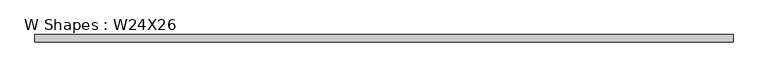
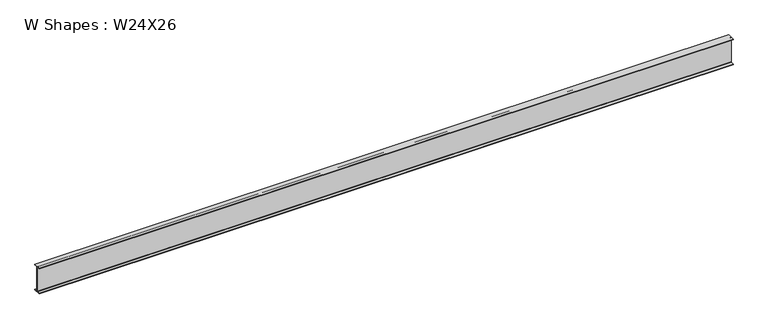
"""IFC4 building model written with IfcOpenShell, lengths in millimetres: beam geometry, W Shapes : W24X26."""

from ifc_helpers import new_model, si_unit, point, frame, frame_2d, origin, place, context, project, spatial, polyline, circle_curve, trimmed, segment, composite_curve, outline, extrude, source, transform, mapped, element, save


def w_shapes_w24x26_98ca8353(model_context):
    return source(origin(), model_context, "Body", "SweptSolid", [
        extrude(outline(composite_curve([segment(polyline([(82.423, -290.068), (82.423, -299.72), (-82.423, -299.72), (-82.423, -290.068), (-10.541, -290.068)]), True, "CONTINUOUS"), segment(trimmed(circle_curve(frame_2d((-10.541, -282.448)), 7.62), [point((-10.541, -290.068))], [point((-2.921, -282.448))], True, "CARTESIAN"), True, "CONTINUOUS"), segment(polyline([(-2.921, -282.448), (-2.921, 282.448)]), True, "CONTINUOUS"), segment(trimmed(circle_curve(frame_2d((-10.541, 282.448)), 7.62), [point((-2.921, 282.448))], [point((-10.541, 290.068))], True, "CARTESIAN"), True, "CONTINUOUS"), segment(polyline([(-10.541, 290.068), (-82.423, 290.068), (-82.423, 299.72), (82.423, 299.72), (82.423, 290.068), (10.541, 290.068)]), True, "CONTINUOUS"), segment(trimmed(circle_curve(frame_2d((10.541, 282.448)), 7.62), [point((10.541, 290.068))], [point((2.921, 282.448))], True, "CARTESIAN"), True, "CONTINUOUS"), segment(polyline([(2.921, 282.448), (2.921, -282.448)]), True, "CONTINUOUS"), segment(trimmed(circle_curve(frame_2d((10.541, -282.448)), 7.62), [point((2.921, -282.448))], [point((10.541, -290.068))], True, "CARTESIAN"), True, "CONTINUOUS"), segment(polyline([(10.541, -290.068), (82.423, -290.068)]), True, "CONTINUOUS")], self_intersect=False)), frame((-7763.1977316, 0.0, 0.0), z_axis=(1.0, 0.0, 0.0), x_axis=(0.0, 1.0, 0.0)), (0.0, 0.0, 1.0), 15459.3977316),
    ])


if __name__ == "__main__":
    model = new_model("IFC4")
    model_context = context("Model", 3, world=origin())
    ifc_project = project(units=[si_unit("LENGTHUNIT", "METRE", prefix="MILLI")], contexts=[model_context])
    site = spatial("IfcSite", under=ifc_project)
    building = spatial("IfcBuilding", under=site)
    placement = place(None, origin())
    w_shapes_w24x26_shape = w_shapes_w24x26_98ca8353(model_context)
    element("IfcBeam", 1, ObjectType="W Shapes : W24X26", at=placement, inside=building, context=model_context, shape_type="MappedRepresentation", body=[
        mapped(w_shapes_w24x26_shape, transform((0.0, 0.0, 0.0), x_axis=(1.0, 0.0, 0.0), y_axis=(0.0, 1.0, 0.0), z_axis=(0.0, 0.0, 1.0))),
    ])
    save(model, "model.ifc")
